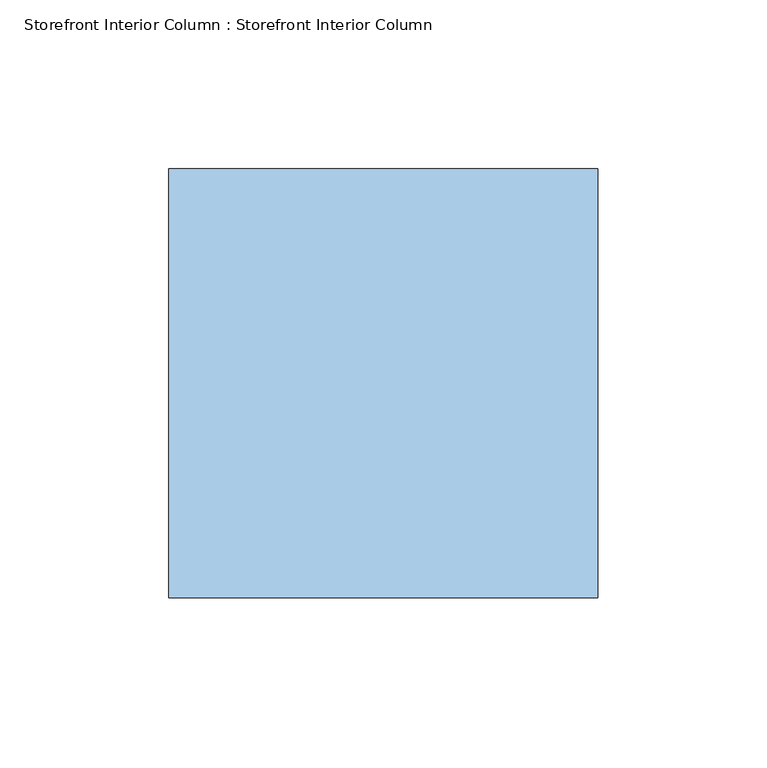
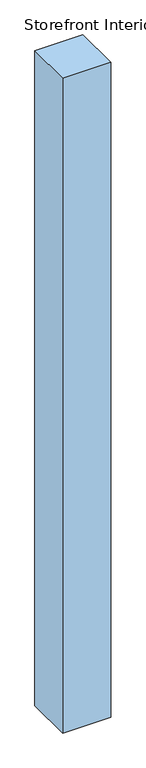
"""IFC4 building model written with IfcOpenShell, lengths in millimetres: window geometry, Storefront Interior Column : Storefront Interior Column."""

from ifc_helpers import new_model, si_unit, frame, origin, place, context, project, spatial, polyline, outline, extrude, source, transform, mapped, element, save


def storefront_interior_column_storefront_interior_column_4d93d740(model_context):
    return source(origin(), model_context, "Body", "SweptSolid", [
        extrude(outline(polyline([(223322.6205986, 162079.7471581), (223449.6205986, 162079.7471581), (223449.6205986, 161952.7471581), (223322.6205986, 161952.7471581), (223322.6205986, 162079.7471581)])), frame((0.0, 0.0, 1058.1592564), z_axis=(0.0, 0.0, 1.0), x_axis=(1.0, 0.0, 0.0)), (0.0, 0.0, 1.0), 1828.8),
    ])


if __name__ == "__main__":
    model = new_model("IFC4")
    model_context = context("Model", 3, world=origin())
    ifc_project = project(units=[si_unit("LENGTHUNIT", "METRE", prefix="MILLI")], contexts=[model_context])
    site = spatial("IfcSite", under=ifc_project)
    building = spatial("IfcBuilding", under=site)
    placement = place(None, origin())
    storefront_interior_column_storefront_interior_column_shape = storefront_interior_column_storefront_interior_column_4d93d740(model_context)
    element("IfcWindow", 1, ObjectType="Storefront Interior Column : Storefront Interior Column", at=placement, inside=building, context=model_context, shape_type="MappedRepresentation", body=[
        mapped(storefront_interior_column_storefront_interior_column_shape, transform((0.0, 0.0, 0.0), x_axis=(1.0, 0.0, 0.0), y_axis=(0.0, 1.0, 0.0), z_axis=(0.0, 0.0, 1.0))),
    ])
    save(model, "model.ifc")
